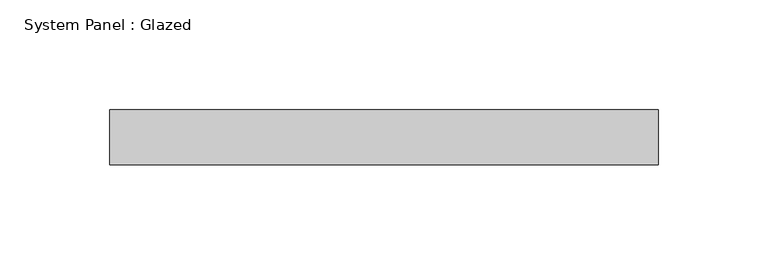
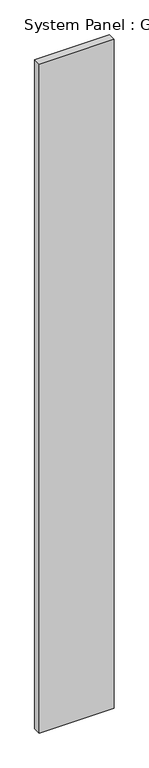
"""IFC4 building model written with IfcOpenShell, lengths in millimetres: plate geometry, System Panel : Glazed."""

from ifc_helpers import new_model, si_unit, origin, origin_with_axes, place, context, project, spatial, polyline, outline, extrude, source, transform, mapped, element, save


def system_panel_glazed_948ea26a(model_context):
    return source(origin(), model_context, "Body", "SweptSolid", [
        extrude(outline(polyline([(124.5771004, 24.5), (-124.5771004, 24.5), (-124.5771004, 49.5), (124.5771004, 49.5), (124.5771004, 24.5)])), origin_with_axes(), (0.0, 0.0, 1.0), 2350.0),
    ])


if __name__ == "__main__":
    model = new_model("IFC4")
    model_context = context("Model", 3, world=origin())
    ifc_project = project(units=[si_unit("LENGTHUNIT", "METRE", prefix="MILLI")], contexts=[model_context])
    site = spatial("IfcSite", under=ifc_project)
    building = spatial("IfcBuilding", under=site)
    placement = place(None, origin())
    system_panel_glazed_shape = system_panel_glazed_948ea26a(model_context)
    element("IfcPlate", 1, ObjectType="System Panel : Glazed", at=placement, inside=building, context=model_context, shape_type="MappedRepresentation", body=[
        mapped(system_panel_glazed_shape, transform((0.0, 0.0, 0.0), x_axis=(1.0, 0.0, 0.0), y_axis=(0.0, 1.0, 0.0), z_axis=(0.0, 0.0, 1.0))),
    ])
    save(model, "model.ifc")
